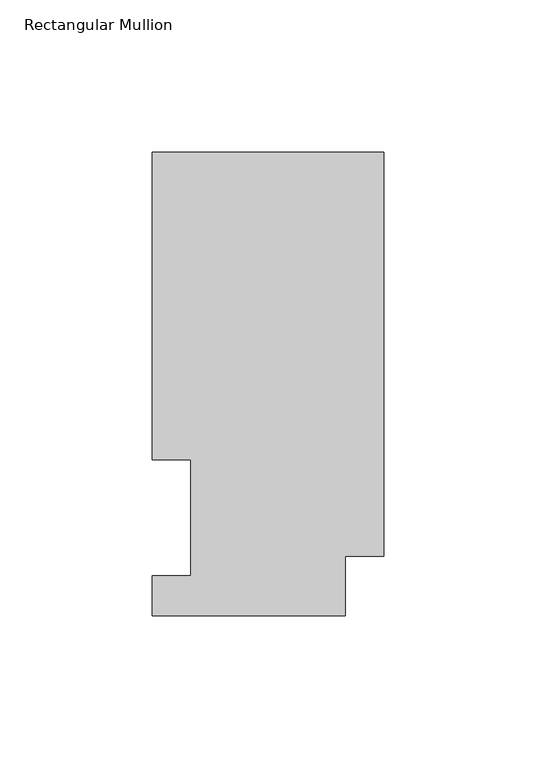
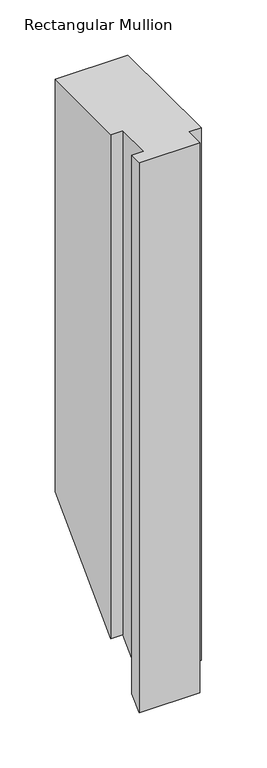
"""IFC4 building model written with IfcOpenShell, lengths in millimetres: member geometry, Rectangular Mullion."""

from ifc_helpers import new_model, si_unit, origin, place, context, project, spatial, faceted_brep, source, transform, mapped, element, save


def rectangular_mullion_4198f778(model_context):
    return source(origin(), model_context, "Body", "Brep", [
        faceted_brep([(-76.2, 152.4896938, 0.0), (-76.2, 51.2960938, 0.0), (-63.5127, 51.2960938, 0.0), (-63.5127, 13.1960938, 0.0), (-76.2, 13.1960938, 0.0), (-76.2, 0.0134938, 0.0), (-12.7, 0.0134938, 0.0), (-12.7, 19.5460937, 0.0), (0.0, 19.5460937, 0.0), (0.0, 152.4896938, 0.0), (-76.2, 152.4896938, -457.0785563), (-76.2, 51.2960938, -558.2721563), (-63.5127, 51.2960938, -558.2721563), (-63.5127, 13.1960938, -596.3721562), (-76.2, 13.1960938, -596.3721562), (-76.2, 0.0134938, -609.5547562), (-12.7, 0.0134938, -609.5547562), (-12.7, 19.5460937, -590.0221563), (0.0, 19.5460937, -590.0221563), (0.0, 152.4896938, -457.0785563)], [[[0, 1, 2, 3, 4, 5, 6, 7, 8, 9]], [[1, 0, 10, 11]], [[2, 1, 11, 12]], [[3, 2, 12, 13]], [[4, 3, 13, 14]], [[5, 4, 14, 15]], [[6, 5, 15, 16]], [[7, 6, 16, 17]], [[8, 7, 17, 18]], [[9, 8, 18, 19]], [[0, 9, 19, 10]], [[10, 19, 18, 17, 16, 15, 14, 13, 12, 11]]]),
    ])


if __name__ == "__main__":
    model = new_model("IFC4")
    model_context = context("Model", 3, world=origin())
    ifc_project = project(units=[si_unit("LENGTHUNIT", "METRE", prefix="MILLI")], contexts=[model_context])
    site = spatial("IfcSite", under=ifc_project)
    building = spatial("IfcBuilding", under=site)
    placement = place(None, origin())
    rectangular_mullion_shape = rectangular_mullion_4198f778(model_context)
    element("IfcMember", 1, ObjectType="Rectangular Mullion", at=placement, inside=building, context=model_context, shape_type="MappedRepresentation", body=[
        mapped(rectangular_mullion_shape, transform((0.0, 0.0, 0.0), x_axis=(1.0, 0.0, 0.0), y_axis=(0.0, 1.0, 0.0), z_axis=(0.0, 0.0, 1.0))),
    ])
    save(model, "model.ifc")
